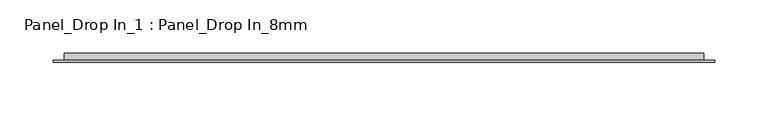
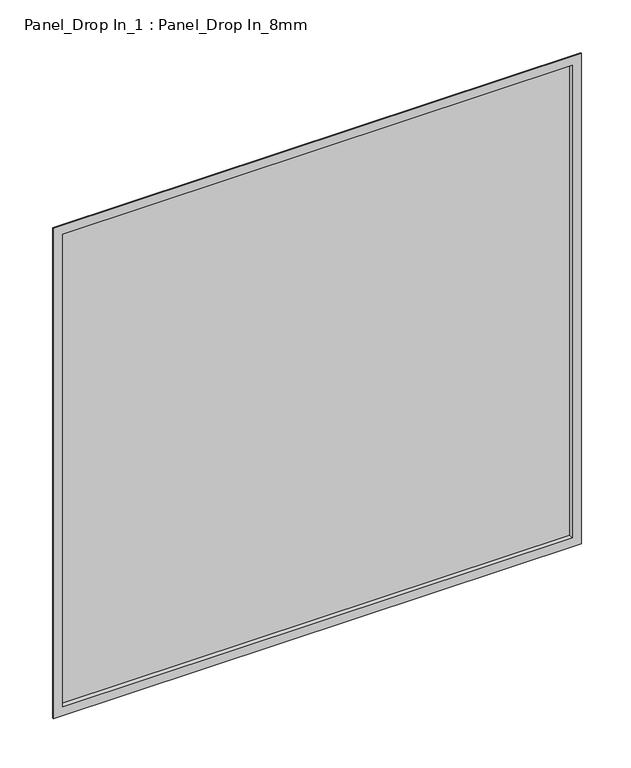
"""IFC4 building model written with IfcOpenShell, lengths in millimetres: plate geometry, Panel_Drop In_1 : Panel_Drop In_8mm."""

from ifc_helpers import new_model, si_unit, frame, origin, place, context, project, spatial, polyline, outline, extrude, faceted_brep, source, transform, mapped, element, save


def panel_drop_in_1_panel_drop_in_8mm_e528d4e7(model_context):
    return source(origin(), model_context, "Body", "SolidModel", [
        extrude(outline(polyline([(298.0000002, 5.5297993), (-298.0000002, 5.5297993), (-298.0000002, 7.0), (298.0000002, 7.0), (298.0000002, 5.5297993)])), frame((0.0, 0.0, 1.0), z_axis=(0.0, 0.0, 1.0), x_axis=(1.0, 0.0, 0.0)), (0.0, 0.0, 1.0), 584.0),
        faceted_brep([(-309.0000002, 0.0, 596.0), (-309.0000002, 1.5, 596.0), (-309.0000002, 1.5, -10.0), (-309.0000002, 0.0, -10.0), (-298.0000002, 7.0, 585.0), (-298.0000002, 0.0, 585.0), (-298.0000002, 0.0, 1.0), (-298.0000002, 7.0, 1.0), (-289.0000002, 8.0, 576.0), (-289.0000002, 7.0, 576.0), (-289.0000002, 7.0, 10.0), (-289.0000002, 8.0, 10.0), (-299.0000002, 1.5, 586.0), (-299.0000002, 8.0, 586.0), (-299.0000002, 8.0, 0.0), (-299.0000002, 1.5, 0.0), (309.0000002, 1.5, -10.0), (309.0000002, 0.0, -10.0), (298.0000002, 0.0, 1.0), (298.0000002, 7.0, 1.0), (289.0000002, 7.0, 10.0), (289.0000002, 8.0, 10.0), (299.0000002, 8.0, 0.0), (299.0000002, 1.5, 0.0), (309.0000002, 1.5, 596.0), (309.0000002, 0.0, 596.0), (298.0000002, 0.0, 585.0), (298.0000002, 7.0, 585.0), (289.0000002, 7.0, 576.0), (289.0000002, 8.0, 576.0), (299.0000002, 8.0, 586.0), (299.0000002, 1.5, 586.0)], [[[0, 1, 2, 3]], [[4, 5, 6, 7]], [[8, 9, 10, 11]], [[12, 13, 14, 15]], [[3, 2, 16, 17]], [[7, 6, 18, 19]], [[11, 10, 20, 21]], [[15, 14, 22, 23]], [[17, 16, 24, 25]], [[19, 18, 26, 27]], [[21, 20, 28, 29]], [[23, 22, 30, 31]], [[25, 24, 1, 0]], [[3, 17, 25, 0], [5, 26, 18, 6]], [[27, 26, 5, 4]], [[7, 19, 27, 4], [9, 28, 20, 10]], [[29, 28, 9, 8]], [[13, 30, 22, 14], [11, 21, 29, 8]], [[31, 30, 13, 12]], [[1, 24, 16, 2], [15, 23, 31, 12]]]),
        extrude(outline(polyline([(289.0000002, 7.0), (-289.0000002, 7.0), (-289.0000002, 8.0), (289.0000002, 8.0), (289.0000002, 7.0)])), frame((0.0, 0.0, 10.0), z_axis=(0.0, 0.0, 1.0), x_axis=(1.0, 0.0, 0.0)), (0.0, 0.0, 1.0), 566.0),
    ])


if __name__ == "__main__":
    model = new_model("IFC4")
    model_context = context("Model", 3, world=origin())
    ifc_project = project(units=[si_unit("LENGTHUNIT", "METRE", prefix="MILLI")], contexts=[model_context])
    site = spatial("IfcSite", under=ifc_project)
    building = spatial("IfcBuilding", under=site)
    placement = place(None, origin())
    panel_drop_in_1_panel_drop_in_8mm_shape = panel_drop_in_1_panel_drop_in_8mm_e528d4e7(model_context)
    element("IfcPlate", 1, ObjectType="Panel_Drop In_1 : Panel_Drop In_8mm", at=placement, inside=building, context=model_context, shape_type="MappedRepresentation", body=[
        mapped(panel_drop_in_1_panel_drop_in_8mm_shape, transform((0.0, 0.0, 0.0), x_axis=(1.0, 0.0, 0.0), y_axis=(0.0, 1.0, 0.0), z_axis=(0.0, 0.0, 1.0))),
    ])
    save(model, "model.ifc")
